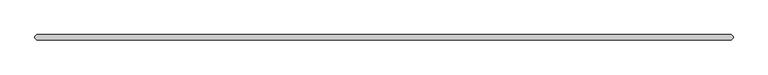
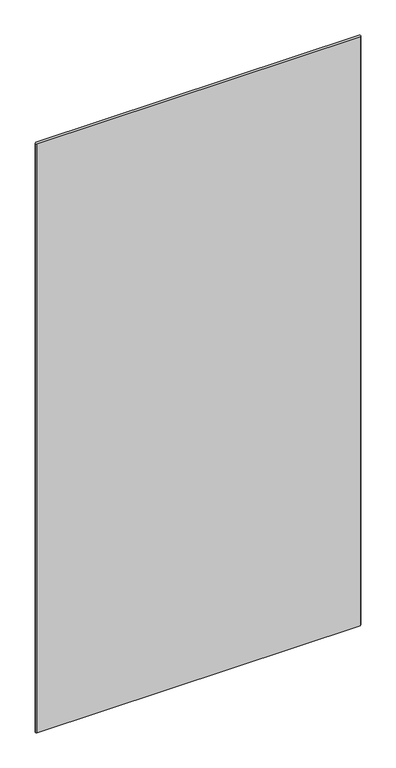
"""IFC4 building model written with IfcOpenShell, lengths in millimetres: plate geometry."""

from ifc_helpers import new_model, si_unit, origin, origin_with_axes, place, context, project, spatial, polyline, outline, extrude, source, transform, mapped, element, save


def plate_b9d8ce97(model_context):
    return source(origin(), model_context, "Body", "SweptSolid", [
        extrude(outline(polyline([(631.03125, -34.925), (-631.03125, -34.925), (-634.20625, -31.75), (-634.20625, -28.575), (-631.03125, -25.4), (631.03125, -25.4), (634.20625, -28.575), (634.20625, -31.75), (631.03125, -34.925)])), origin_with_axes(), (0.0, 0.0, 1.0), 2428.7789267),
    ])


if __name__ == "__main__":
    model = new_model("IFC4")
    model_context = context("Model", 3, world=origin())
    ifc_project = project(units=[si_unit("LENGTHUNIT", "METRE", prefix="MILLI")], contexts=[model_context])
    site = spatial("IfcSite", under=ifc_project)
    building = spatial("IfcBuilding", under=site)
    placement = place(None, origin())
    plate_shape = plate_b9d8ce97(model_context)
    element("IfcPlate", 1, at=placement, inside=building, context=model_context, shape_type="MappedRepresentation", body=[
        mapped(plate_shape, transform((0.0, 0.0, 0.0), x_axis=(1.0, 0.0, 0.0), y_axis=(0.0, 1.0, 0.0), z_axis=(0.0, 0.0, 1.0))),
    ])
    save(model, "model.ifc")
